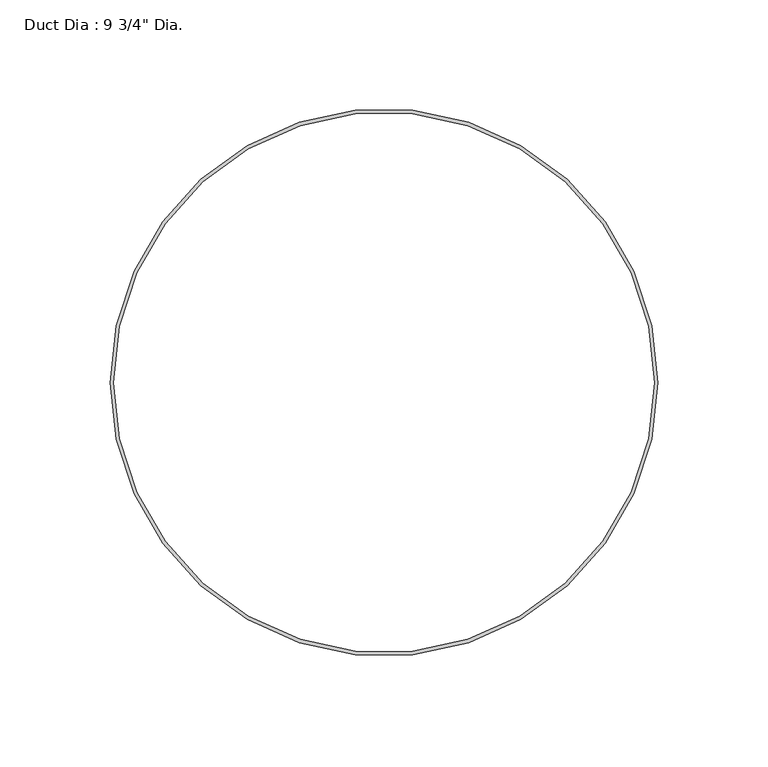
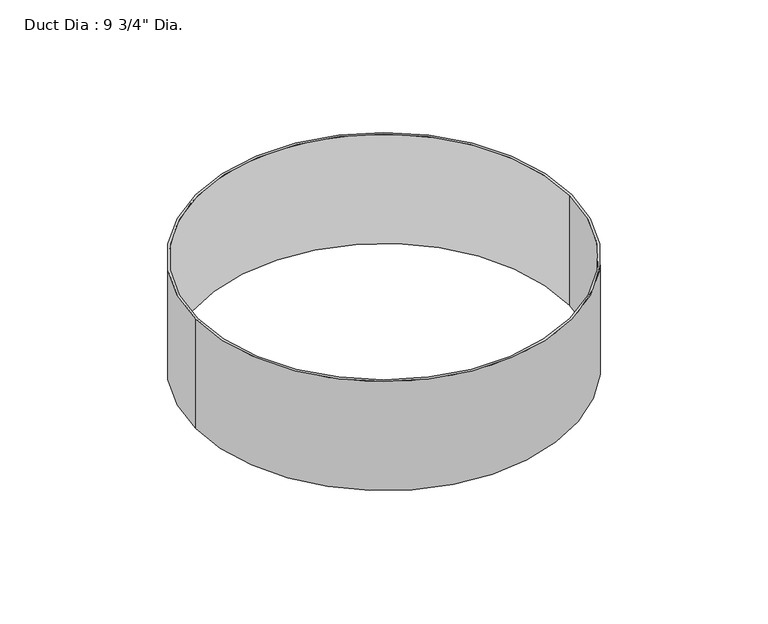
"""IFC4 building model written with IfcOpenShell, lengths in millimetres: proxy geometry."""

from ifc_helpers import new_model, si_unit, point, origin, origin_with_axes, origin_2d, place, context, project, spatial, circle_curve, trimmed, segment, composite_curve, outline, extrude, source, transform, mapped, element, save


def proxy_d8bd2570(model_context):
    return source(origin(), model_context, "Body", "SweptSolid", [
        extrude(outline(composite_curve([segment(trimmed(circle_curve(origin_2d(), 123.825), [point((-123.825, 0.0))], [point((123.825, 0.0))], False, "CARTESIAN"), True, "CONTINUOUS"), segment(trimmed(circle_curve(origin_2d(), 123.825), [point((123.825, 0.0))], [point((-123.825, 0.0))], False, "CARTESIAN"), True, "CONTINUOUS")], self_intersect=False), holes=[composite_curve([segment(trimmed(circle_curve(origin_2d(), 122.2375), [point((-122.2375, 0.0))], [point((122.2375, 0.0))], True, "CARTESIAN"), True, "CONTINUOUS"), segment(trimmed(circle_curve(origin_2d(), 122.2375), [point((122.2375, 0.0))], [point((-122.2375, 0.0))], True, "CARTESIAN"), True, "CONTINUOUS")], self_intersect=False)]), origin_with_axes(), (0.0, 0.0, 1.0), 76.2),
    ])


if __name__ == "__main__":
    model = new_model("IFC4")
    model_context = context("Model", 3, world=origin())
    ifc_project = project(units=[si_unit("LENGTHUNIT", "METRE", prefix="MILLI")], contexts=[model_context])
    site = spatial("IfcSite", under=ifc_project)
    building = spatial("IfcBuilding", under=site)
    placement = place(None, origin())
    proxy_shape = proxy_d8bd2570(model_context)
    element("IfcBuildingElementProxy", 1, Name="Duct Dia : 9 3/4\" Dia.", ObjectType="Duct Dia : 9 3/4\" Dia.", at=placement, inside=building, context=model_context, shape_type="MappedRepresentation", body=[
        mapped(proxy_shape, transform((0.0, 0.0, 0.0), x_axis=(1.0, 0.0, 0.0), y_axis=(0.0, 1.0, 0.0), z_axis=(0.0, 0.0, 1.0))),
    ])
    save(model, "model.ifc")
